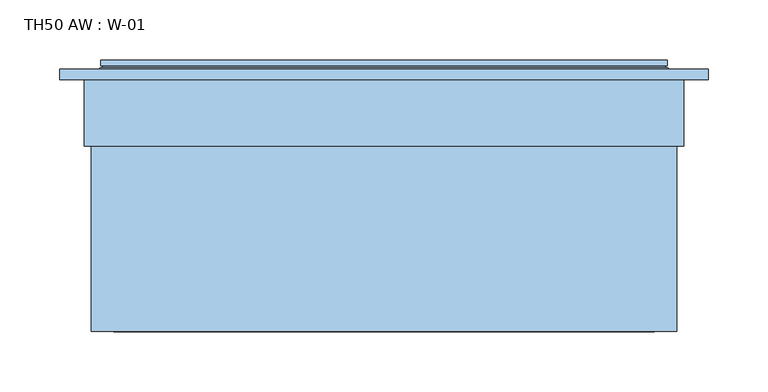
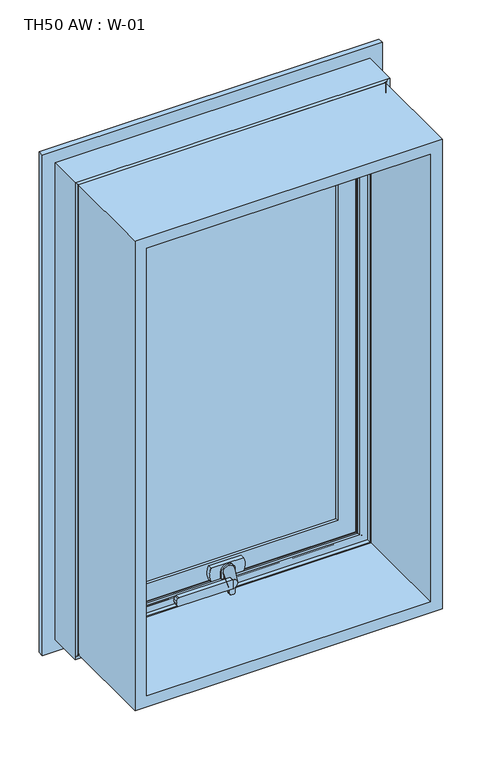
"""IFC4 building model written with IfcOpenShell, lengths in millimetres: window geometry, TH50 AW : W-01."""

from ifc_helpers import new_model, si_unit, point, frame, frame_2d, origin, place, context, project, spatial, polyline, circle_curve, ellipse_curve, trimmed, segment, composite_curve, outline, extrude, source, transform, mapped, element, save
from ifc_brep_helpers import plane_surface, cylinder_surface, revolved_surface, spline_surface, advanced_brep


def th50_aw_w_01_05ac0f1c(model_context):
    return source(origin(), model_context, "Body", "SolidModel", [
        extrude(outline(polyline([(1593.8, 243.8), (1593.8, -243.8), (806.2, -243.8), (806.2, 243.8), (1593.8, 243.8)]), holes=[polyline([(824.7, 225.3), (824.7, -225.3), (1575.3, -225.3), (1575.3, 225.3), (824.7, 225.3)])]), frame((0.0, -100.0, 0.0), z_axis=(0.0, 1.0, 0.0), x_axis=(0.0, 0.0, 1.0)), (0.0, 0.0, 1.0), 165.9999813),
        extrude(outline(polyline([(192.3588651, 82.0), (-192.3588651, 82.0), (-192.3588651, 108.0), (192.3588651, 108.0), (192.3588651, 82.0)])), frame((0.0, 0.0, 857.6411349), z_axis=(0.0, 0.0, 1.0), x_axis=(1.0, 0.0, 0.0)), (0.0, 0.0, 1.0), 684.7177303),
        extrude(outline(composite_curve([segment(polyline([(831.7, -8.432005), (831.7, -5.567995)]), True, "CONTINUOUS"), segment(trimmed(circle_curve(frame_2d((834.7, -5.567995)), 3.0), [point((831.7, -5.567995))], [point((834.5429921, -2.5721064))], False, "CARTESIAN"), True, "CONTINUOUS"), segment(polyline([(834.5429921, -2.5721064), (855.0, -1.5), (855.0, -12.5), (834.5429921, -11.4278936)]), True, "CONTINUOUS"), segment(trimmed(circle_curve(frame_2d((834.7, -8.432005)), 3.0), [point((834.5429921, -11.4278936))], [point((831.7, -8.432005))], False, "CARTESIAN"), True, "CONTINUOUS")], self_intersect=False)), frame((0.0, 42.4999039, 0.0), z_axis=(0.0, 1.0, 0.0), x_axis=(0.0, 0.0, 1.0)), (0.0, 0.0, 1.0), 4.9),
        extrude(outline(composite_curve([segment(polyline([(827.7, -3.7223739), (827.7, 1.7223739)]), True, "CONTINUOUS"), segment(trimmed(circle_curve(frame_2d((830.7, 1.7223739)), 3.0), [point((827.7, 1.7223739))], [point((830.5429921, 4.7182625))], False, "CARTESIAN"), True, "CONTINUOUS"), segment(polyline([(830.5429921, 4.7182625), (855.0, 6.0), (855.0, -8.0), (830.5429921, -6.7182625)]), True, "CONTINUOUS"), segment(trimmed(circle_curve(frame_2d((830.7, -3.7223739)), 3.0), [point((830.5429921, -6.7182625))], [point((827.7, -3.7223739))], False, "CARTESIAN"), True, "CONTINUOUS")], self_intersect=False)), frame((0.0, 59.2999039, 0.0), z_axis=(0.0, 1.0, 0.0), x_axis=(0.0, 0.0, 1.0)), (0.0, 0.0, 1.0), 5.3),
        extrude(outline(composite_curve([segment(trimmed(circle_curve(frame_2d((860.2, -96.7659341)), 2.0), [point((862.2, -96.7659341))], [point((860.9427814, -98.6228875))], False, "CARTESIAN"), True, "CONTINUOUS"), segment(polyline([(860.9427814, -98.6228875), (856.4855627, -100.4057749)]), True, "CONTINUOUS"), segment(trimmed(circle_curve(frame_2d((855.0, -96.6918682)), 4.0), [point((856.4855627, -100.4057749))], [point((853.5144373, -100.4057749))], False, "CARTESIAN"), True, "CONTINUOUS"), segment(polyline([(853.5144373, -100.4057749), (849.0572186, -98.6228875)]), True, "CONTINUOUS"), segment(trimmed(circle_curve(frame_2d((849.8, -96.7659341)), 2.0), [point((849.0572186, -98.6228875))], [point((847.8, -96.7659341))], False, "CARTESIAN"), True, "CONTINUOUS"), segment(polyline([(847.8, -96.7659341), (847.8, -11.0), (862.2, -11.0), (862.2, -96.7659341)]), True, "CONTINUOUS")], self_intersect=False)), frame((0.0, 34.5999039, 0.0), z_axis=(0.0, 1.0, 0.0), x_axis=(0.0, 0.0, 1.0)), (0.0, 0.0, 1.0), 7.0),
        extrude(outline(composite_curve([segment(trimmed(circle_curve(frame_2d((855.0, 0.0)), 7.0), [point((855.0, 7.0))], [point((855.0, -7.0))], False, "CARTESIAN"), True, "CONTINUOUS"), segment(trimmed(circle_curve(frame_2d((855.0, 0.0)), 7.0), [point((855.0, -7.0))], [point((855.0, 7.0))], False, "CARTESIAN"), True, "CONTINUOUS")], self_intersect=False)), frame((0.0, 64.5999039, 0.0), z_axis=(0.0, 1.0, 0.0), x_axis=(0.0, 0.0, 1.0)), (0.0, 0.0, 1.0), 1.5),
        advanced_brep(
        [(-3.5, 34.5999039, 855.0), (-18.5, 34.5999039, 855.0), (9.0, 64.5999039, 855.0), (-9.0, 64.5999039, 855.0)],
        [
            (0, 1, circle_curve(frame((-11.0, 34.5999039, 855.0), z_axis=(0.0, -1.0, 0.0), x_axis=(-1.0, 0.0, 0.0)), 7.5)),
            (1, 0, circle_curve(frame((-11.0, 34.5999039, 855.0), z_axis=(0.0, -1.0, 0.0), x_axis=(-1.0, 0.0, 0.0)), 7.5)),
            (2, 3, circle_curve(frame((0.0, 64.5999039, 855.0), z_axis=(0.0, 1.0, 0.0), x_axis=(-1.0, 0.0, 0.0)), 9.0)),
            (3, 2, circle_curve(frame((0.0, 64.5999039, 855.0), z_axis=(0.0, 1.0, 0.0), x_axis=(-1.0, 0.0, 0.0)), 9.0)),
            (2, 0),
            (1, 3),
        ],
        [
            plane_surface(frame((-11.0, 34.5999039, 855.0), z_axis=(0.0, -1.0, 0.0), x_axis=(0.0, 0.0, -1.0))),
            plane_surface(frame((0.0, 64.5999039, 855.0), z_axis=(0.0, 1.0, 0.0), x_axis=(0.0, 0.0, -1.0))),
            spline_surface(1, 2, [[(9.0, 64.5999039, 855.0), (9.0, 64.5999039, 846.0), (0.0, 64.5999039, 846.0), (-9.0, 64.5999039, 846.0), (-9.0, 64.5999039, 855.0)], [(-3.5, 34.5999039, 855.0), (-3.5, 34.5999039, 847.5), (-11.0, 34.5999039, 847.5), (-18.5, 34.5999039, 847.5), (-18.5, 34.5999039, 855.0)]], [2, 2], [3, 2, 3], [0.0, 1.0], [0.0, 1.0, 2.0], weights=[[1.0, 0.7071067811865476, 1.0, 0.7071067811865476, 1.0], [1.0, 0.7071067811865476, 1.0, 0.7071067811865476, 1.0]]),
            spline_surface(1, 2, [[(-9.0, 64.5999039, 855.0), (-9.0, 64.5999039, 864.0), (0.0, 64.5999039, 864.0), (9.0, 64.5999039, 864.0), (9.0, 64.5999039, 855.0)], [(-18.5, 34.5999039, 855.0), (-18.5, 34.5999039, 862.5), (-11.0, 34.5999039, 862.5), (-3.5, 34.5999039, 862.5), (-3.5, 34.5999039, 855.0)]], [2, 2], [3, 2, 3], [0.0, 1.0], [0.0, 1.0, 2.0], weights=[[1.0, 0.7071067811865476, 1.0, 0.7071067811865476, 1.0], [1.0, 0.7071067811865476, 1.0, 0.7071067811865476, 1.0]]),
        ],
        [
            (0, [[1, 2]]),
            (1, [[3, 4]]),
            (2, [[5, -2, 6, -3]]),
            (3, [[-6, -1, -5, -4]]),
        ],
    ),
        extrude(outline(composite_curve([segment(trimmed(circle_curve(frame_2d((855.0, 0.0)), 10.6), [point((855.0, 10.6))], [point((855.0, -10.6))], False, "CARTESIAN"), True, "CONTINUOUS"), segment(polyline([(855.0, -10.6), (843.95, -10.6), (843.95, 10.6), (855.0, 10.6)]), True, "CONTINUOUS")], self_intersect=False)), frame((0.0, 66.0999039, 0.0), z_axis=(0.0, 1.0, 0.0), x_axis=(0.0, 0.0, 1.0)), (0.0, 0.0, 1.0), 2.8),
        extrude(outline(composite_curve([segment(polyline([(843.95, -26.0), (843.95, 26.0)]), True, "CONTINUOUS"), segment(trimmed(circle_curve(frame_2d((855.0, 3.2967472)), 25.2495582), [point((843.95, 26.0))], [point((866.05, 26.0))], False, "CARTESIAN"), True, "CONTINUOUS"), segment(polyline([(866.05, 26.0), (866.05, -26.0)]), True, "CONTINUOUS"), segment(trimmed(circle_curve(frame_2d((855.0, -3.2967472)), 25.2495582), [point((866.05, -26.0))], [point((843.95, -26.0))], False, "CARTESIAN"), True, "CONTINUOUS")], self_intersect=False)), frame((0.0, 68.8999039, 0.0), z_axis=(0.0, 1.0, 0.0), x_axis=(0.0, 0.0, 1.0)), (0.0, 0.0, 1.0), 6.7),
        advanced_brep(
        [(235.8588651, 121.9999121, 1585.8588651), (235.8588651, 121.9999121, 814.1411349), (235.8588651, 126.5999121, 814.1411349), (235.8588651, 126.5999121, 1585.8588651), (-235.8588651, 121.9999121, 814.1411349), (-235.8588651, 126.5999121, 814.1411349), (236.4637148, 119.9946866, 813.5362852), (-236.4637148, 119.9946866, 813.5362852), (-233.7537664, 121.9999121, 816.2462336), (233.7537664, 121.9999121, 816.2462336), (237.2086873, 118.9999537, 1587.2086873), (-237.2086873, 118.9999537, 1587.2086873), (-237.2086873, 118.9999537, 812.7913127), (237.2086873, 118.9999537, 812.7913127), (-218.3588678, 118.9999537, 1568.3588678), (218.3588678, 118.9999537, 1568.3588678), (218.3588678, 118.9999537, 831.6411322), (-218.3588678, 118.9999537, 831.6411322), (218.3588678, 76.0999005, 831.6411322), (-218.3588678, 76.0999005, 831.6411322), (217.8588679, 75.5999006, 1567.8588679), (217.8588679, 75.5999006, 832.1411321), (218.3588678, 76.0999005, 1568.3588678), (199.3588651, 126.5999121, 1549.3588651), (199.3588651, 126.5999121, 850.6411349), (199.3588651, 80.1999039, 850.6411349), (199.3588651, 80.1999039, 1549.3588651), (-235.8588651, 121.9999121, 1585.8588651), (-235.8588651, 126.5999121, 1585.8588651), (-215.4347904, 72.6034445, 834.5652096), (-215.4347904, 72.6034445, 1565.4347904), (-218.144223, 74.6078271, 1568.144223), (-218.144223, 74.6078271, 831.855777), (-179.3588709, 80.1999039, 870.6411291), (-179.3588709, 80.1999039, 1529.3588709), (-179.3588709, 75.5999039, 1529.3588709), (-179.3588709, 75.5999039, 870.6411291), (236.4637148, 119.9946866, 1586.4637148), (-236.4637148, 119.9946866, 1586.4637148), (215.4347904, 72.6034445, 1565.4347904), (218.144223, 74.6078271, 1568.144223), (179.3588709, 80.1999039, 1529.3588709), (179.3588709, 75.5999039, 1529.3588709), (-199.3588651, 126.5999121, 1549.3588651), (-199.3588651, 126.5999121, 850.6411349), (-233.7537664, 121.9999121, 1583.7537664), (233.7537664, 121.9999121, 1583.7537664), (-217.8588679, 75.5999006, 832.1411321), (218.144223, 74.6078271, 831.855777), (215.4347904, 72.6034445, 834.5652096), (208.8054323, 74.6078271, 1558.8054323), (208.8054323, 74.6078271, 841.1945677), (212.0349667, 72.6034445, 837.9650333), (212.0349667, 72.6034445, 1562.0349667), (-208.8054323, 74.6078271, 841.1945677), (-212.0349667, 72.6034445, 837.9650333), (208.340576, 75.5999039, 1558.340576), (208.340576, 75.5999039, 841.659424), (-208.340576, 75.5999039, 841.659424), (-208.340576, 75.5999039, 1558.340576), (179.3588709, 75.5999039, 870.6411291), (179.3588709, 80.1999039, 870.6411291), (-199.3588651, 80.1999039, 1549.3588651), (-199.3588651, 80.1999039, 850.6411349), (-218.3588678, 76.0999005, 1568.3588678), (-217.8588679, 75.5999006, 1567.8588679), (-208.8054323, 74.6078271, 1558.8054323), (-212.0349667, 72.6034445, 1562.0349667)],
        [
            (0, 1),
            (1, 2),
            (2, 3),
            (3, 0),
            (1, 4),
            (4, 5),
            (5, 2),
            (6, 7),
            (7, 8, ellipse_curve(frame((-237.5848432, 124.3436113, 812.4151568), z_axis=(-0.7071067811865475, 0.0, 0.7071067811865475), x_axis=(-0.7071067811865476, 0.0, -0.7071067811865474)), 6.3513896, 4.4911107)),
            (8, 9),
            (9, 6, ellipse_curve(frame((237.5848432, 124.3436113, 812.4151568), z_axis=(0.7071067811865475, 0.0, 0.7071067811865475), x_axis=(-0.7071067811865476, 0.0, 0.7071067811865474)), 6.3513896, 4.4911107)),
            (10, 11),
            (11, 12),
            (12, 13),
            (13, 10),
            (14, 15),
            (15, 16),
            (16, 17),
            (17, 14),
            (18, 19),
            (19, 17),
            (16, 18),
            (20, 21),
            (21, 18, ellipse_curve(frame((217.8588679, 76.0999005, 832.1411321), z_axis=(0.7071067811865475, 0.0, 0.7071067811865475), x_axis=(-0.7071067811865474, 0.0, 0.7071067811865476)), 0.7071066, 0.4999999)),
            (18, 22),
            (22, 20, ellipse_curve(frame((217.8588679, 76.0999005, 1567.8588679), z_axis=(0.7071067811865475, 0.0, -0.7071067811865475), x_axis=(0.7071067811865474, 0.0, 0.7071067811865476)), 0.7071066, 0.4999999)),
            (23, 24),
            (24, 25),
            (25, 26),
            (26, 23),
            (4, 27),
            (27, 28),
            (28, 5),
            (29, 30),
            (30, 31, ellipse_curve(frame((-219.2653514, 70.2589024, 1569.2653514), z_axis=(0.7071067811865475, 0.0, 0.7071067811865475), x_axis=(-0.7071067811865474, 0.0, 0.7071067811865476)), 6.3513896, 4.4911107)),
            (31, 32),
            (32, 29, ellipse_curve(frame((-219.2653514, 70.2589024, 830.7346486), z_axis=(0.7071067811865475, 0.0, -0.7071067811865475), x_axis=(0.7071067811865474, 0.0, 0.7071067811865476)), 6.3513896, 4.4911107)),
            (33, 34),
            (34, 35),
            (35, 36),
            (36, 33),
            (10, 37),
            (37, 38),
            (38, 11),
            (30, 39),
            (39, 40, ellipse_curve(frame((219.2653514, 70.2589024, 1569.2653514), z_axis=(0.7071067811865475, 0.0, -0.7071067811865475), x_axis=(0.7071067811865476, 0.0, 0.7071067811865474)), 6.3513896, 4.4911107)),
            (40, 31),
            (34, 41),
            (41, 42),
            (42, 35),
            (28, 3),
            (23, 43),
            (43, 44),
            (44, 24),
            (0, 27),
            (45, 46),
            (46, 9),
            (8, 45),
            (37, 6),
            (46, 37, ellipse_curve(frame((237.5848432, 124.3436113, 1587.5848432), z_axis=(-0.7071067811865475, 0.0, 0.7071067811865475), x_axis=(-0.7071067811865474, 0.0, -0.7071067811865476)), 6.3513896, 4.4911107)),
            (13, 6),
            (12, 7),
            (15, 22),
            (21, 47),
            (47, 19, ellipse_curve(frame((-217.8588679, 76.0999005, 832.1411321), z_axis=(0.7071067811865475, 0.0, -0.7071067811865475), x_axis=(0.7071067811865476, 0.0, 0.7071067811865474)), 0.7071066, 0.4999999)),
            (40, 48),
            (48, 21),
            (20, 40),
            (48, 32),
            (32, 47),
            (39, 49),
            (49, 48, ellipse_curve(frame((219.2653514, 70.2589024, 830.7346486), z_axis=(-0.7071067811865475, 0.0, -0.7071067811865475), x_axis=(0.7071067811865474, 0.0, -0.7071067811865476)), 6.3513896, 4.4911107)),
            (49, 29),
            (50, 51),
            (51, 52, ellipse_curve(frame((208.5540914, 70.5988943, 841.4459086), z_axis=(-0.7071067811865475, 0.0, -0.7071067811865475), x_axis=(0.7071067811865474, 0.0, -0.7071067811865476)), 5.6806187, 4.016804)),
            (52, 53),
            (53, 50, ellipse_curve(frame((208.5540914, 70.5988943, 1558.5540914), z_axis=(-0.7071067811865475, 0.0, 0.7071067811865475), x_axis=(-0.7071067811865474, 0.0, -0.7071067811865476)), 5.6806187, 4.016804)),
            (51, 54),
            (54, 55, ellipse_curve(frame((-208.5540914, 70.5988943, 841.4459086), z_axis=(-0.7071067811865475, 0.0, 0.7071067811865475), x_axis=(-0.7071067811865476, 0.0, -0.7071067811865474)), 5.6806187, 4.016804)),
            (55, 52),
            (56, 57),
            (57, 51),
            (50, 56),
            (57, 58),
            (58, 54),
            (56, 59),
            (59, 58),
            (42, 60),
            (60, 36),
            (41, 61),
            (61, 60),
            (61, 33),
            (62, 26),
            (25, 63),
            (63, 62),
            (44, 63),
            (7, 38),
            (38, 45, ellipse_curve(frame((-237.5848432, 124.3436113, 1587.5848432), z_axis=(0.7071067811865475, 0.0, 0.7071067811865475), x_axis=(-0.7071067811865474, 0.0, 0.7071067811865476)), 6.3513896, 4.4911107)),
            (19, 64),
            (64, 14),
            (47, 65),
            (65, 64, ellipse_curve(frame((-217.8588679, 76.0999005, 1567.8588679), z_axis=(-0.7071067811865475, 0.0, -0.7071067811865475), x_axis=(0.7071067811865474, 0.0, -0.7071067811865476)), 0.7071066, 0.4999999)),
            (31, 65),
            (54, 66),
            (66, 67, ellipse_curve(frame((-208.5540914, 70.5988943, 1558.5540914), z_axis=(0.7071067811865475, 0.0, 0.7071067811865475), x_axis=(-0.7071067811865474, 0.0, 0.7071067811865476)), 5.6806187, 4.016804)),
            (67, 55),
            (59, 66),
            (43, 62),
            (64, 22),
            (65, 20),
            (66, 50),
            (53, 67),
        ],
        [
            plane_surface(frame((235.8588651, 126.5999121, 1585.8588651), z_axis=(1.0, 0.0, 0.0), x_axis=(0.0, 0.0, -1.0))),
            plane_surface(frame((235.8588651, 126.5999121, 814.1411349), z_axis=(0.0, 0.0, -1.0), x_axis=(-1.0, 0.0, 0.0))),
            revolved_surface(polyline([(-242.07595385611774, 124.3436113, 807.9240460999999), (242.0759538561177, 124.3436113, 807.9240460999999)]), (250.0, 124.3436113, 812.4151568), (-1.0, 0.0, 0.0)),
            plane_surface(frame((-237.2086873, 118.9999537, 812.7913127), z_axis=(0.0, -1.0, 0.0), x_axis=(0.0, 0.0, 1.0))),
            plane_surface(frame((218.3588678, 118.9999537, 831.6411322), z_axis=(0.0, 0.0, -1.0), x_axis=(-1.0, 0.0, 0.0))),
            cylinder_surface(frame((217.8588679, 76.0999005, 1600.0), z_axis=(0.0, 0.0, 1.0), x_axis=(1.0, 0.0, 0.0)), 0.4999999),
            plane_surface(frame((199.3588651, 80.1999039, 1549.3588651), z_axis=(-1.0, 0.0, 0.0), x_axis=(0.0, 0.0, -1.0))),
            plane_surface(frame((-235.8588651, 126.5999121, 814.1411349), z_axis=(-1.0, 0.0, 0.0), x_axis=(0.0, 0.0, 1.0))),
            revolved_surface(polyline([(-223.7564621, 70.2589024, 1573.756462056118), (-223.7564621, 70.2589024, 826.2435379438823)]), (-219.2653514, 70.2589024, 800.0), (0.0, 0.0, 1.0)),
            plane_surface(frame((-179.3588709, 75.5999039, 870.6411291), z_axis=(1.0, 0.0, 0.0), x_axis=(0.0, 0.0, 1.0))),
            plane_surface(frame((-236.4637148, 119.9946866, 1586.4637148), z_axis=(0.0, 0.5994451145198296, 0.800415863584867), x_axis=(1.0, 0.0, 0.0))),
            revolved_surface(polyline([(223.7564620561177, 70.2589024, 1573.7564621000001), (-223.7564620561177, 70.2589024, 1573.7564621000001)]), (-250.0, 70.2589024, 1569.2653514), (1.0, 0.0, 0.0)),
            plane_surface(frame((-179.3588709, 75.5999039, 1529.3588709), z_axis=(0.0, 0.0, -1.0), x_axis=(1.0, 0.0, 0.0))),
            plane_surface(frame((-199.3588651, 126.5999121, 850.6411349), z_axis=(0.0, 1.0, 0.0), x_axis=(0.0, 0.0, 1.0))),
            plane_surface(frame((-235.8588651, 121.9999121, 814.1411349), z_axis=(0.0, -1.0, 0.0), x_axis=(0.0, 0.0, 1.0))),
            revolved_surface(polyline([(242.0759539, 124.3436113, 807.9240461438823), (242.0759539, 124.3436113, 1592.0759538561178)]), (237.5848432, 124.3436113, 1600.0), (0.0, 0.0, -1.0)),
            plane_surface(frame((236.4637148, 119.9946866, 1586.4637148), z_axis=(0.8004158635848707, 0.5994451145198247, 0.0), x_axis=(0.0, 0.0, -1.0))),
            plane_surface(frame((236.4637148, 119.9946866, 813.5362852), z_axis=(0.0, 0.5994451145198296, -0.800415863584867), x_axis=(-1.0, 0.0, 0.0))),
            plane_surface(frame((218.3588678, 118.9999537, 1568.3588678), z_axis=(1.0, 0.0, 0.0), x_axis=(0.0, 0.0, -1.0))),
            cylinder_surface(frame((250.0, 76.0999005, 832.1411321), z_axis=(1.0, 0.0, 0.0), x_axis=(0.0, 0.0, -1.0)), 0.4999999),
            plane_surface(frame((217.8588679, 75.5999006, 1567.8588679), z_axis=(0.9610348327667624, 0.27642729642522856, 0.0), x_axis=(0.0, 0.0, -1.0))),
            plane_surface(frame((217.8588679, 75.5999006, 832.1411321), z_axis=(0.0, 0.27642729642523445, -0.9610348327667607), x_axis=(-1.0, 0.0, 0.0))),
            revolved_surface(polyline([(223.7564621, 70.2589024, 826.2435379438823), (223.7564621, 70.2589024, 1573.756462056118)]), (219.2653514, 70.2589024, 1600.0), (0.0, 0.0, -1.0)),
            revolved_surface(polyline([(-223.7564620561177, 70.2589024, 826.2435379), (223.7564620561177, 70.2589024, 826.2435379)]), (250.0, 70.2589024, 830.7346486), (-1.0, 0.0, 0.0)),
            revolved_surface(polyline([(212.5708954, 70.5988943, 837.429104595895), (212.5708954, 70.5988943, 1562.5708954041052)]), (208.5540914, 70.5988943, 1600.0), (0.0, 0.0, -1.0)),
            revolved_surface(polyline([(-212.5708954041051, 70.5988943, 837.4291046000001), (212.5708954041051, 70.5988943, 837.4291046000001)]), (250.0, 70.5988943, 841.4459086), (-1.0, 0.0, 0.0)),
            plane_surface(frame((208.8054323, 74.6078271, 1558.8054323), z_axis=(-0.9055219642805072, -0.4242993898246519, 0.0), x_axis=(0.0, 0.0, -1.0))),
            plane_surface(frame((208.8054323, 74.6078271, 841.1945677), z_axis=(0.0, -0.4242993898246574, 0.9055219642805047), x_axis=(-1.0, 0.0, 0.0))),
            plane_surface(frame((-208.340576, 75.5999039, 841.659424), z_axis=(0.0, -1.0, 0.0), x_axis=(0.0, 0.0, 1.0))),
            plane_surface(frame((179.3588709, 75.5999039, 1529.3588709), z_axis=(-1.0, 0.0, 0.0), x_axis=(0.0, 0.0, -1.0))),
            plane_surface(frame((179.3588709, 75.5999039, 870.6411291), z_axis=(0.0, 0.0, 1.0), x_axis=(-1.0, 0.0, 0.0))),
            plane_surface(frame((-179.3588709, 80.1999039, 870.6411291), z_axis=(0.0, 1.0, 0.0), x_axis=(0.0, 0.0, 1.0))),
            plane_surface(frame((199.3588651, 80.1999039, 850.6411349), z_axis=(0.0, 0.0, 1.0), x_axis=(-1.0, 0.0, 0.0))),
            revolved_surface(polyline([(-242.0759539, 124.3436113, 1592.0759538561178), (-242.0759539, 124.3436113, 807.9240461438823)]), (-237.5848432, 124.3436113, 800.0), (0.0, 0.0, 1.0)),
            plane_surface(frame((-236.4637148, 119.9946866, 813.5362852), z_axis=(-0.8004158635848634, 0.5994451145198345, 0.0), x_axis=(0.0, 0.0, 1.0))),
            plane_surface(frame((-218.3588678, 118.9999537, 831.6411322), z_axis=(-1.0, 0.0, 0.0), x_axis=(0.0, 0.0, 1.0))),
            cylinder_surface(frame((-217.8588679, 76.0999005, 800.0), z_axis=(0.0, 0.0, -1.0), x_axis=(-1.0, 0.0, 0.0)), 0.4999999),
            plane_surface(frame((-217.8588679, 75.5999006, 832.1411321), z_axis=(-0.961034832766759, 0.27642729642524033, 0.0), x_axis=(0.0, 0.0, 1.0))),
            revolved_surface(polyline([(-212.5708954, 70.5988943, 1562.5708954041052), (-212.5708954, 70.5988943, 837.429104595895)]), (-208.5540914, 70.5988943, 800.0), (0.0, 0.0, 1.0)),
            plane_surface(frame((-208.8054323, 74.6078271, 841.1945677), z_axis=(0.9055219642805021, -0.424299389824663, 0.0), x_axis=(0.0, 0.0, 1.0))),
            plane_surface(frame((-199.3588651, 80.1999039, 850.6411349), z_axis=(1.0, 0.0, 0.0), x_axis=(0.0, 0.0, 1.0))),
            plane_surface(frame((-235.8588651, 126.5999121, 1585.8588651), z_axis=(0.0, 0.0, 1.0), x_axis=(1.0, 0.0, 0.0))),
            revolved_surface(polyline([(242.07595385611774, 124.3436113, 1592.0759539), (-242.0759538561177, 124.3436113, 1592.0759539)]), (-250.0, 124.3436113, 1587.5848432), (1.0, 0.0, 0.0)),
            plane_surface(frame((-218.3588678, 118.9999537, 1568.3588678), z_axis=(0.0, 0.0, 1.0), x_axis=(1.0, 0.0, 0.0))),
            cylinder_surface(frame((-250.0, 76.0999005, 1567.8588679), z_axis=(-1.0, 0.0, 0.0), x_axis=(0.0, 0.0, 1.0)), 0.4999999),
            plane_surface(frame((-217.8588679, 75.5999006, 1567.8588679), z_axis=(0.0, 0.27642729642523445, 0.9610348327667607), x_axis=(1.0, 0.0, 0.0))),
            revolved_surface(polyline([(212.5708954041051, 70.5988943, 1562.5708954000002), (-212.5708954041051, 70.5988943, 1562.5708954000002)]), (-250.0, 70.5988943, 1558.5540914), (1.0, 0.0, 0.0)),
            plane_surface(frame((-208.8054323, 74.6078271, 1558.8054323), z_axis=(0.0, -0.4242993898246574, -0.9055219642805047), x_axis=(1.0, 0.0, 0.0))),
            plane_surface(frame((-199.3588651, 80.1999039, 1549.3588651), z_axis=(0.0, 0.0, -1.0), x_axis=(1.0, 0.0, 0.0))),
            plane_surface(frame((-215.4347904, 72.6034445, 834.5652096), z_axis=(0.0, -1.0, 0.0), x_axis=(0.0, 0.0, 1.0))),
        ],
        [
            (0, [[1, 2, 3, 4]]),
            (1, [[5, 6, 7, -2]]),
            (2, [[8, 9, 10, 11]]),
            (3, [[12, 13, 14, 15], [16, 17, 18, 19]]),
            (4, [[20, 21, -18, 22]]),
            (5, [[23, 24, 25, 26]]),
            (6, [[27, 28, 29, 30]]),
            (7, [[31, 32, 33, -6]]),
            (8, [[34, 35, 36, 37]]),
            (9, [[38, 39, 40, 41]]),
            (10, [[-12, 42, 43, 44]]),
            (11, [[45, 46, 47, -35]]),
            (12, [[48, 49, 50, -39]]),
            (13, [[51, -3, -7, -33], [52, 53, 54, -27]]),
            (14, [[55, -31, -5, -1], [56, 57, -10, 58]]),
            (15, [[59, -11, -57, 60]]),
            (16, [[-15, 61, -59, -42]]),
            (17, [[-14, 62, -8, -61]]),
            (18, [[-25, -22, -17, 63]]),
            (19, [[64, 65, -20, -24]]),
            (20, [[66, 67, -23, 68]]),
            (21, [[69, 70, -64, -67]]),
            (22, [[71, 72, -66, -46]]),
            (23, [[73, -37, -69, -72]]),
            (24, [[74, 75, 76, 77]]),
            (25, [[78, 79, 80, -75]]),
            (26, [[81, 82, -74, 83]]),
            (27, [[84, 85, -78, -82]]),
            (28, [[86, 87, -84, -81], [-50, 88, 89, -40]]),
            (29, [[90, 91, -88, -49]]),
            (30, [[92, -41, -89, -91]]),
            (31, [[93, -29, 94, 95], [-48, -38, -92, -90]]),
            (32, [[-54, 96, -94, -28]]),
            (33, [[97, 98, -58, -9]]),
            (34, [[-13, -44, -97, -62]]),
            (35, [[99, 100, -19, -21]]),
            (36, [[101, 102, -99, -65]]),
            (37, [[-36, 103, -101, -70]]),
            (38, [[104, 105, 106, -79]]),
            (39, [[-87, 107, -104, -85]]),
            (40, [[-53, 108, -95, -96]]),
            (41, [[-55, -4, -51, -32]]),
            (42, [[-43, -60, -56, -98]]),
            (43, [[109, -63, -16, -100]]),
            (44, [[110, -26, -109, -102]]),
            (45, [[-47, -68, -110, -103]]),
            (46, [[111, -77, 112, -105]]),
            (47, [[-86, -83, -111, -107]]),
            (48, [[-52, -30, -93, -108]]),
            (49, [[-45, -34, -73, -71], [-112, -76, -80, -106]]),
        ],
    ),
        advanced_brep(
        [(179.3588651, 126.5999122, 1529.3588651), (179.3588651, 126.5999122, 870.6411349), (179.3588651, 115.322822, 870.6411349), (179.3588651, 115.322822, 1529.3588651), (199.3588651, 107.9927198, 1549.3588651), (199.3588651, 107.9927198, 850.6411349), (199.3588651, 126.5999122, 850.6411349), (199.3588651, 126.5999122, 1549.3588651), (-179.3588651, 115.322822, 870.6411349), (-177.2163686, 107.9927198, 872.7836314), (177.2163686, 107.9927198, 872.7836314), (-179.3588651, 126.5999122, 870.6411349), (-199.3588651, 107.9927198, 850.6411349), (-199.3588651, 126.5999122, 850.6411349), (-179.3588651, 115.322822, 1529.3588651), (-177.2163686, 107.9927198, 1527.2163686), (-179.3588651, 126.5999122, 1529.3588651), (-199.3588651, 107.9927198, 1549.3588651), (-199.3588651, 126.5999122, 1549.3588651), (177.2163686, 107.9927198, 1527.2163686)],
        [
            (0, 1),
            (1, 2),
            (2, 3),
            (3, 0),
            (4, 5),
            (5, 6),
            (6, 7),
            (7, 4),
            (2, 8),
            (8, 9, ellipse_curve(frame((-159.7514534, 117.0756581, 890.2485466), z_axis=(-0.7071067811865475, 0.0, 0.7071067811865475), x_axis=(-0.7071067811865476, 0.0, -0.7071067811865474)), 27.839649, 19.6856046)),
            (9, 10),
            (10, 2, ellipse_curve(frame((159.7514534, 117.0756581, 890.2485466), z_axis=(0.7071067811865475, 0.0, 0.7071067811865475), x_axis=(-0.7071067811865476, 0.0, 0.7071067811865474)), 27.839649, 19.6856046)),
            (1, 11),
            (11, 8),
            (5, 12),
            (12, 13),
            (13, 6),
            (8, 14),
            (14, 15, ellipse_curve(frame((-159.7514534, 117.0756581, 1509.7514534), z_axis=(0.7071067811865475, 0.0, 0.7071067811865475), x_axis=(-0.7071067811865474, 0.0, 0.7071067811865476)), 27.839649, 19.6856046)),
            (15, 9),
            (11, 16),
            (16, 14),
            (12, 17),
            (17, 18),
            (18, 13),
            (4, 17),
            (19, 10),
            (15, 19),
            (16, 0),
            (3, 14),
            (18, 7),
            (19, 3, ellipse_curve(frame((159.7514534, 117.0756581, 1509.7514534), z_axis=(-0.7071067811865475, 0.0, 0.7071067811865475), x_axis=(-0.7071067811865474, 0.0, -0.7071067811865476)), 27.839649, 19.6856046)),
        ],
        [
            plane_surface(frame((179.3588651, 115.322822, 1529.3588651), z_axis=(-1.0, 0.0, 0.0), x_axis=(0.0, 0.0, -1.0))),
            plane_surface(frame((199.3588651, 126.5999122, 1549.3588651), z_axis=(1.0, 0.0, 0.0), x_axis=(0.0, 0.0, -1.0))),
            revolved_surface(polyline([(-179.43705799375329, 117.0756581, 870.562942), (179.43705799375329, 117.0756581, 870.562942)]), (199.3588651, 117.0756581, 890.2485466), (-1.0, 0.0, 0.0)),
            plane_surface(frame((179.3588651, 115.322822, 870.6411349), z_axis=(0.0, 0.0, 1.0), x_axis=(-1.0, 0.0, 0.0))),
            plane_surface(frame((199.3588651, 126.5999122, 850.6411349), z_axis=(0.0, 0.0, -1.0), x_axis=(-1.0, 0.0, 0.0))),
            revolved_surface(polyline([(-179.437058, 117.0756581, 1529.4370579937531), (-179.437058, 117.0756581, 870.5629420062468)]), (-159.7514534, 117.0756581, 850.6411349), (0.0, 0.0, 1.0)),
            plane_surface(frame((-179.3588651, 115.322822, 870.6411349), z_axis=(1.0, 0.0, 0.0), x_axis=(0.0, 0.0, 1.0))),
            plane_surface(frame((-199.3588651, 126.5999122, 850.6411349), z_axis=(-1.0, 0.0, 0.0), x_axis=(0.0, 0.0, 1.0))),
            plane_surface(frame((-199.3588651, 107.9927198, 1549.3588651), z_axis=(0.0, -1.0, 0.0), x_axis=(1.0, 0.0, 0.0))),
            plane_surface(frame((-179.3588651, 115.322822, 1529.3588651), z_axis=(0.0, 0.0, -1.0), x_axis=(1.0, 0.0, 0.0))),
            plane_surface(frame((-179.3588651, 126.5999122, 1529.3588651), z_axis=(0.0, 1.0, 0.0), x_axis=(1.0, 0.0, 0.0))),
            revolved_surface(polyline([(179.437058, 117.0756581, 870.5629420062468), (179.437058, 117.0756581, 1529.4370579937533)]), (159.7514534, 117.0756581, 1549.3588651), (0.0, 0.0, -1.0)),
            revolved_surface(polyline([(179.43705799375329, 117.0756581, 1529.437058), (-179.43705799375329, 117.0756581, 1529.437058)]), (-199.3588651, 117.0756581, 1509.7514534), (1.0, 0.0, 0.0)),
            plane_surface(frame((-199.3588651, 126.5999122, 1549.3588651), z_axis=(0.0, 0.0, 1.0), x_axis=(1.0, 0.0, 0.0))),
        ],
        [
            (0, [[1, 2, 3, 4]]),
            (1, [[5, 6, 7, 8]]),
            (2, [[9, 10, 11, 12]]),
            (3, [[13, 14, -9, -2]]),
            (4, [[15, 16, 17, -6]]),
            (5, [[18, 19, 20, -10]]),
            (6, [[21, 22, -18, -14]]),
            (7, [[23, 24, 25, -16]]),
            (8, [[-5, 26, -23, -15], [27, -11, -20, 28]]),
            (9, [[29, -4, 30, -22]]),
            (10, [[-7, -17, -25, 31], [-1, -29, -21, -13]]),
            (11, [[-3, -12, -27, 32]]),
            (12, [[-30, -32, -28, -19]]),
            (13, [[-26, -8, -31, -24]]),
        ],
    ),
        advanced_brep(
        [(270.000038, 110.0, 1620.000038), (270.000038, 110.0, 779.999962), (270.000038, 118.9999375, 779.999962), (270.000038, 118.9999375, 1620.000038), (-270.000038, 118.9999375, 1620.000038), (-270.000038, 118.9999375, 779.999962), (230.0000396, 118.9999375, 1580.0000396), (-230.0000396, 118.9999375, 1580.0000396), (-230.0000396, 118.9999375, 819.9999604), (230.0000396, 118.9999375, 819.9999604), (-270.000038, 110.0, 779.999962), (-270.000038, 110.0, 1620.000038), (-250.0, 110.0, 1600.0), (250.0, 110.0, 1600.0), (250.0, 110.0, 800.0), (-250.0, 110.0, 800.0), (250.0, 54.8507969, 1600.0), (250.0, 54.8507969, 800.0), (-250.0, 54.8507969, 800.0), (245.0001465, 54.8506112, 1595.0001465), (245.0001465, 54.8506112, 804.9998535), (-245.0001465, 54.8506112, 804.9998535), (245.0001465, 56.5920405, 1595.0001465), (245.0001465, 56.5920405, 804.9998535), (-245.0001465, 56.5920405, 804.9998535), (243.8001794, 56.5908144, 1593.8001794), (243.8001794, 56.5908144, 806.1998206), (-243.8001794, 56.5908144, 806.1998206), (243.8001794, 65.9999813, 1593.8001794), (243.8001794, 65.9999813, 806.1998206), (-243.8001794, 65.9999813, 806.1998206), (-243.8001794, 65.9999813, 1593.8001794), (-224.2001794, 65.9999813, 1574.2001794), (224.2001794, 65.9999813, 1574.2001794), (224.2001794, 65.9999813, 825.7998206), (-224.2001794, 65.9999813, 825.7998206), (224.2001794, 61.9999728, 1574.2001794), (224.2001794, 61.9999728, 825.7998206), (-224.2001794, 61.9999728, 825.7998206), (-224.2001794, 61.9999728, 1574.2001794), (-222.6156704, 61.9999728, 1572.6156704), (222.6156704, 61.9999728, 1572.6156704), (222.6156704, 61.9999728, 827.3843296), (-222.6156704, 61.9999728, 827.3843296), (222.8755675, 68.9999299, 1572.8755675), (222.8755675, 68.9999299, 827.1244325), (-222.8755675, 68.9999299, 827.1244325), (-222.8755675, 68.9999299, 1572.8755675), (-210.0002274, 68.9999299, 1560.0002274), (210.0002274, 68.9999299, 1560.0002274), (210.0002274, 68.9999299, 839.9997726), (-210.0002274, 68.9999299, 839.9997726), (210.0002274, 72.5999758, 1560.0002274), (210.0002274, 72.5999758, 839.9997726), (-210.0002274, 72.5999758, 839.9997726), (-230.0000396, 72.5999758, 1580.0000396), (230.0000396, 72.5999758, 1580.0000396), (230.0000396, 72.5999758, 819.9999604), (-230.0000396, 72.5999758, 819.9999604), (-210.0002274, 72.5999758, 1560.0002274), (-250.0, 54.8507969, 1600.0), (-245.0001465, 54.8506112, 1595.0001465), (-245.0001465, 56.5920405, 1595.0001465), (-243.8001794, 56.5908144, 1593.8001794)],
        [
            (0, 1),
            (1, 2),
            (2, 3),
            (3, 0),
            (4, 3),
            (2, 5),
            (5, 4),
            (6, 7),
            (7, 8),
            (8, 9),
            (9, 6),
            (1, 10),
            (10, 5),
            (0, 11),
            (11, 10),
            (12, 13),
            (13, 14),
            (14, 15),
            (15, 12),
            (16, 17),
            (17, 14),
            (13, 16),
            (17, 18),
            (18, 15),
            (19, 20),
            (20, 17, ellipse_curve(frame((247.5001465, 52.8785929, 802.4998535), z_axis=(-0.7071067811865475, 0.0, -0.7071067811865475), x_axis=(0.7071067811865474, 0.0, -0.7071067811865476)), 4.5030781, 3.184157)),
            (16, 19, ellipse_curve(frame((247.5001465, 52.8785929, 1597.5001465), z_axis=(-0.7071067811865475, 0.0, 0.7071067811865475), x_axis=(-0.7071067811865474, 0.0, -0.7071067811865476)), 4.5030781, 3.184157)),
            (20, 21),
            (21, 18, ellipse_curve(frame((-247.5001465, 52.8785929, 802.4998535), z_axis=(-0.7071067811865475, 0.0, 0.7071067811865475), x_axis=(-0.7071067811865476, 0.0, -0.7071067811865474)), 4.5030781, 3.184157)),
            (22, 23),
            (23, 20),
            (19, 22),
            (23, 24),
            (24, 21),
            (25, 26),
            (26, 23, ellipse_curve(frame((244.4001534, 56.6007652, 805.5998466), z_axis=(0.7071067811865475, 0.0, 0.7071067811865475), x_axis=(-0.7071067811865474, 0.0, 0.7071067811865476)), 0.8486081, 0.6000566)),
            (22, 25, ellipse_curve(frame((244.4001534, 56.6007652, 1594.4001534), z_axis=(0.7071067811865475, 0.0, -0.7071067811865475), x_axis=(0.7071067811865474, 0.0, 0.7071067811865476)), 0.8486081, 0.6000566)),
            (26, 27),
            (27, 24, ellipse_curve(frame((-244.4001534, 56.6007652, 805.5998466), z_axis=(0.7071067811865475, 0.0, -0.7071067811865475), x_axis=(0.7071067811865476, 0.0, 0.7071067811865474)), 0.8486081, 0.6000566)),
            (28, 29),
            (29, 26),
            (25, 28),
            (29, 30),
            (30, 27),
            (28, 31),
            (31, 30),
            (32, 33),
            (33, 34),
            (34, 35),
            (35, 32),
            (36, 37),
            (37, 34),
            (33, 36),
            (37, 38),
            (38, 35),
            (36, 39),
            (39, 38),
            (40, 41),
            (41, 42),
            (42, 43),
            (43, 40),
            (44, 45),
            (45, 42),
            (41, 44),
            (45, 46),
            (46, 43),
            (44, 47),
            (47, 46),
            (48, 49),
            (49, 50),
            (50, 51),
            (51, 48),
            (52, 53),
            (53, 50),
            (49, 52),
            (53, 54),
            (54, 51),
            (55, 56),
            (56, 57),
            (57, 58),
            (58, 55),
            (52, 59),
            (59, 54),
            (9, 57),
            (56, 6),
            (8, 58),
            (11, 4),
            (18, 60),
            (60, 12),
            (21, 61),
            (61, 60, ellipse_curve(frame((-247.5001465, 52.8785929, 1597.5001465), z_axis=(0.7071067811865475, 0.0, 0.7071067811865475), x_axis=(-0.7071067811865474, 0.0, 0.7071067811865476)), 4.5030781, 3.184157)),
            (24, 62),
            (62, 61),
            (27, 63),
            (63, 62, ellipse_curve(frame((-244.4001534, 56.6007652, 1594.4001534), z_axis=(-0.7071067811865475, 0.0, -0.7071067811865475), x_axis=(0.7071067811865474, 0.0, -0.7071067811865476)), 0.8486081, 0.6000566)),
            (31, 63),
            (39, 32),
            (47, 40),
            (59, 48),
            (7, 55),
            (60, 16),
            (61, 19),
            (62, 22),
            (63, 25),
        ],
        [
            plane_surface(frame((270.000038, 118.9999375, 1620.000038), z_axis=(1.0, 0.0, 0.0), x_axis=(0.0, 0.0, -1.0))),
            plane_surface(frame((-230.0000396, 118.9999375, 819.9999604), z_axis=(0.0, 1.0, 0.0), x_axis=(0.0, 0.0, 1.0))),
            plane_surface(frame((270.000038, 118.9999375, 779.999962), z_axis=(0.0, 0.0, -1.0), x_axis=(-1.0, 0.0, 0.0))),
            plane_surface(frame((-270.000038, 110.0, 779.999962), z_axis=(0.0, -1.0, 0.0), x_axis=(0.0, 0.0, 1.0))),
            plane_surface(frame((250.0, 110.0, 1600.0), z_axis=(1.0, 0.0, 0.0), x_axis=(0.0, 0.0, -1.0))),
            plane_surface(frame((250.0, 110.0, 800.0), z_axis=(0.0, 0.0, -1.0), x_axis=(-1.0, 0.0, 0.0))),
            revolved_surface(polyline([(250.6843035, 52.8785929, 799.3156964392773), (250.6843035, 52.8785929, 1600.6843035607226)]), (247.5001465, 52.8785929, 1600.0), (0.0, 0.0, -1.0)),
            revolved_surface(polyline([(-250.68430356072264, 52.8785929, 799.3156965), (250.68430356072264, 52.8785929, 799.3156965)]), (250.0, 52.8785929, 802.4998535), (-1.0, 0.0, 0.0)),
            plane_surface(frame((245.0001465, 54.8506112, 1595.0001465), z_axis=(-1.0, 0.0, 0.0), x_axis=(0.0, 0.0, -1.0))),
            plane_surface(frame((245.0001465, 54.8506112, 804.9998535), z_axis=(0.0, 0.0, 1.0), x_axis=(-1.0, 0.0, 0.0))),
            cylinder_surface(frame((244.4001534, 56.6007652, 1600.0), z_axis=(0.0, 0.0, 1.0), x_axis=(1.0, 0.0, 0.0)), 0.6000566),
            cylinder_surface(frame((250.0, 56.6007652, 805.5998466), z_axis=(1.0, 0.0, 0.0), x_axis=(0.0, 0.0, -1.0)), 0.6000566),
            plane_surface(frame((243.8001794, 56.5908144, 1593.8001794), z_axis=(-1.0, 0.0, 0.0), x_axis=(0.0, 0.0, -1.0))),
            plane_surface(frame((243.8001794, 56.5908144, 806.1998206), z_axis=(0.0, 0.0, 1.0), x_axis=(-1.0, 0.0, 0.0))),
            plane_surface(frame((-243.8001794, 65.9999813, 806.1998206), z_axis=(0.0, -1.0, 0.0), x_axis=(0.0, 0.0, 1.0))),
            plane_surface(frame((224.2001794, 65.9999813, 1574.2001794), z_axis=(1.0, 0.0, 0.0), x_axis=(0.0, 0.0, -1.0))),
            plane_surface(frame((224.2001794, 65.9999813, 825.7998206), z_axis=(0.0, 0.0, -1.0), x_axis=(-1.0, 0.0, 0.0))),
            plane_surface(frame((-224.2001794, 61.9999728, 825.7998206), z_axis=(0.0, -1.0, 0.0), x_axis=(0.0, 0.0, 1.0))),
            plane_surface(frame((222.6156704, 61.9999728, 1572.6156704), z_axis=(-0.9993114533203381, 0.0371028201460986, 0.0), x_axis=(0.0, 0.0, -1.0))),
            plane_surface(frame((222.6156704, 61.9999728, 827.3843296), z_axis=(0.0, 0.03710282014609248, 0.9993114533203383), x_axis=(-1.0, 0.0, 0.0))),
            plane_surface(frame((-222.8755675, 68.9999299, 827.1244325), z_axis=(0.0, -1.0, 0.0), x_axis=(0.0, 0.0, 1.0))),
            plane_surface(frame((210.0002274, 68.9999299, 1560.0002274), z_axis=(-1.0, 0.0, 0.0), x_axis=(0.0, 0.0, -1.0))),
            plane_surface(frame((210.0002274, 68.9999299, 839.9997726), z_axis=(0.0, 0.0, 1.0), x_axis=(-1.0, 0.0, 0.0))),
            plane_surface(frame((-210.0002274, 72.5999758, 839.9997726), z_axis=(0.0, 1.0, 0.0), x_axis=(0.0, 0.0, 1.0))),
            plane_surface(frame((230.0000396, 72.5999758, 1580.0000396), z_axis=(-1.0, 0.0, 0.0), x_axis=(0.0, 0.0, -1.0))),
            plane_surface(frame((230.0000396, 72.5999758, 819.9999604), z_axis=(0.0, 0.0, 1.0), x_axis=(-1.0, 0.0, 0.0))),
            plane_surface(frame((-270.000038, 118.9999375, 779.999962), z_axis=(-1.0, 0.0, 0.0), x_axis=(0.0, 0.0, 1.0))),
            plane_surface(frame((-250.0, 110.0, 800.0), z_axis=(-1.0, 0.0, 0.0), x_axis=(0.0, 0.0, 1.0))),
            revolved_surface(polyline([(-250.6843035, 52.8785929, 1600.6843035607226), (-250.6843035, 52.8785929, 799.3156964392773)]), (-247.5001465, 52.8785929, 800.0), (0.0, 0.0, 1.0)),
            plane_surface(frame((-245.0001465, 54.8506112, 804.9998535), z_axis=(1.0, 0.0, 0.0), x_axis=(0.0, 0.0, 1.0))),
            cylinder_surface(frame((-244.4001534, 56.6007652, 800.0), z_axis=(0.0, 0.0, -1.0), x_axis=(-1.0, 0.0, 0.0)), 0.6000566),
            plane_surface(frame((-243.8001794, 56.5908144, 806.1998206), z_axis=(1.0, 0.0, 0.0), x_axis=(0.0, 0.0, 1.0))),
            plane_surface(frame((-224.2001794, 65.9999813, 825.7998206), z_axis=(-1.0, 0.0, 0.0), x_axis=(0.0, 0.0, 1.0))),
            plane_surface(frame((-222.6156704, 61.9999728, 827.3843296), z_axis=(0.9993114533203385, 0.03710282014608636, 0.0), x_axis=(0.0, 0.0, 1.0))),
            plane_surface(frame((-210.0002274, 68.9999299, 839.9997726), z_axis=(1.0, 0.0, 0.0), x_axis=(0.0, 0.0, 1.0))),
            plane_surface(frame((-230.0000396, 72.5999758, 819.9999604), z_axis=(1.0, 0.0, 0.0), x_axis=(0.0, 0.0, 1.0))),
            plane_surface(frame((-270.000038, 118.9999375, 1620.000038), z_axis=(0.0, 0.0, 1.0), x_axis=(1.0, 0.0, 0.0))),
            plane_surface(frame((-250.0, 110.0, 1600.0), z_axis=(0.0, 0.0, 1.0), x_axis=(1.0, 0.0, 0.0))),
            revolved_surface(polyline([(250.68430356072264, 52.8785929, 1600.6843035), (-250.68430356072264, 52.8785929, 1600.6843035)]), (-250.0, 52.8785929, 1597.5001465), (1.0, 0.0, 0.0)),
            plane_surface(frame((-245.0001465, 54.8506112, 1595.0001465), z_axis=(0.0, 0.0, -1.0), x_axis=(1.0, 0.0, 0.0))),
            cylinder_surface(frame((-250.0, 56.6007652, 1594.4001534), z_axis=(-1.0, 0.0, 0.0), x_axis=(0.0, 0.0, 1.0)), 0.6000566),
            plane_surface(frame((-243.8001794, 56.5908144, 1593.8001794), z_axis=(0.0, 0.0, -1.0), x_axis=(1.0, 0.0, 0.0))),
            plane_surface(frame((-224.2001794, 65.9999813, 1574.2001794), z_axis=(0.0, 0.0, 1.0), x_axis=(1.0, 0.0, 0.0))),
            plane_surface(frame((-222.6156704, 61.9999728, 1572.6156704), z_axis=(0.0, 0.03710282014609248, -0.9993114533203383), x_axis=(1.0, 0.0, 0.0))),
            plane_surface(frame((-210.0002274, 68.9999299, 1560.0002274), z_axis=(0.0, 0.0, -1.0), x_axis=(1.0, 0.0, 0.0))),
            plane_surface(frame((-230.0000396, 72.5999758, 1580.0000396), z_axis=(0.0, 0.0, -1.0), x_axis=(1.0, 0.0, 0.0))),
        ],
        [
            (0, [[1, 2, 3, 4]]),
            (1, [[5, -3, 6, 7], [8, 9, 10, 11]]),
            (2, [[12, 13, -6, -2]]),
            (3, [[14, 15, -12, -1], [16, 17, 18, 19]]),
            (4, [[20, 21, -17, 22]]),
            (5, [[23, 24, -18, -21]]),
            (6, [[25, 26, -20, 27]]),
            (7, [[28, 29, -23, -26]]),
            (8, [[30, 31, -25, 32]]),
            (9, [[33, 34, -28, -31]]),
            (10, [[35, 36, -30, 37]]),
            (11, [[38, 39, -33, -36]]),
            (12, [[40, 41, -35, 42]]),
            (13, [[43, 44, -38, -41]]),
            (14, [[45, 46, -43, -40], [47, 48, 49, 50]]),
            (15, [[51, 52, -48, 53]]),
            (16, [[54, 55, -49, -52]]),
            (17, [[56, 57, -54, -51], [58, 59, 60, 61]]),
            (18, [[62, 63, -59, 64]]),
            (19, [[65, 66, -60, -63]]),
            (20, [[67, 68, -65, -62], [69, 70, 71, 72]]),
            (21, [[73, 74, -70, 75]]),
            (22, [[76, 77, -71, -74]]),
            (23, [[78, 79, 80, 81], [82, 83, -76, -73]]),
            (24, [[-11, 84, -79, 85]]),
            (25, [[-10, 86, -80, -84]]),
            (26, [[-15, 87, -7, -13]]),
            (27, [[88, 89, -19, -24]]),
            (28, [[90, 91, -88, -29]]),
            (29, [[92, 93, -90, -34]]),
            (30, [[94, 95, -92, -39]]),
            (31, [[-46, 96, -94, -44]]),
            (32, [[-57, 97, -50, -55]]),
            (33, [[-68, 98, -61, -66]]),
            (34, [[-83, 99, -72, -77]]),
            (35, [[-9, 100, -81, -86]]),
            (36, [[-14, -4, -5, -87]]),
            (37, [[101, -22, -16, -89]]),
            (38, [[102, -27, -101, -91]]),
            (39, [[103, -32, -102, -93]]),
            (40, [[104, -37, -103, -95]]),
            (41, [[-45, -42, -104, -96]]),
            (42, [[-56, -53, -47, -97]]),
            (43, [[-67, -64, -58, -98]]),
            (44, [[-82, -75, -69, -99]]),
            (45, [[-8, -85, -78, -100]]),
        ],
    ),
    ])


if __name__ == "__main__":
    model = new_model("IFC4")
    model_context = context("Model", 3, world=origin())
    ifc_project = project(units=[si_unit("LENGTHUNIT", "METRE", prefix="MILLI")], contexts=[model_context])
    site = spatial("IfcSite", under=ifc_project)
    building = spatial("IfcBuilding", under=site)
    placement = place(None, origin())
    th50_aw_w_01_shape = th50_aw_w_01_05ac0f1c(model_context)
    element("IfcWindow", 1, ObjectType="TH50 AW : W-01", at=placement, inside=building, context=model_context, shape_type="MappedRepresentation", body=[
        mapped(th50_aw_w_01_shape, transform((0.0, 0.0, 0.0), x_axis=(1.0, 0.0, 0.0), y_axis=(0.0, 1.0, 0.0), z_axis=(0.0, 0.0, 1.0))),
    ])
    save(model, "model.ifc")
